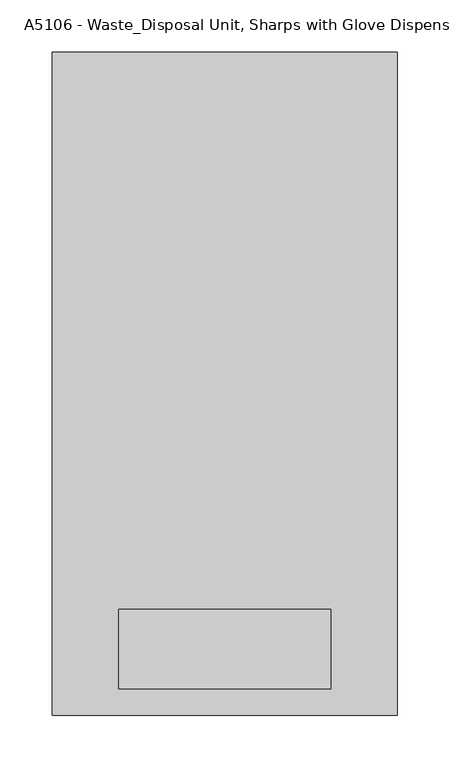
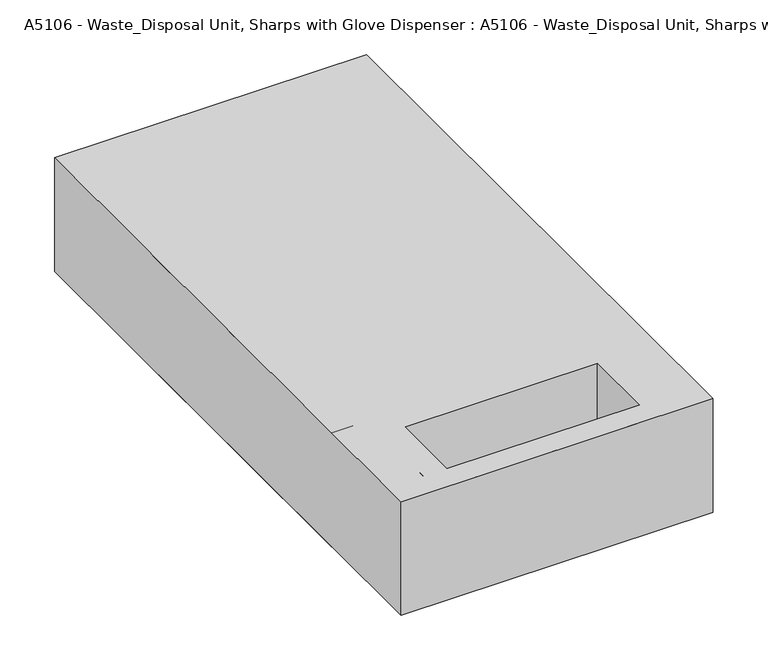
"""IFC4 building model written with IfcOpenShell, lengths in millimetres: proxy geometry, A5106 - Waste_Disposal Unit, Sharps with Glove Dispenser : A5106 - Waste_Disposal Unit, Sharps with Glove Dispenser."""

from ifc_helpers import new_model, si_unit, frame, origin, origin_with_axes, place, context, project, spatial, polyline, circle_curve, outline, extrude, source, transform, mapped, element, save
from ifc_brep_helpers import plane_surface, cylinder_surface, revolved_surface, advanced_brep


def a5106_waste_disposal_unit_sharps_with_glove_dispenser_a5106_9fb1b7a7(model_context):
    return source(origin(), model_context, "Body", "SolidModel", [
        advanced_brep(
        [(101.6, -533.4, 127.0), (101.6, -457.2, 127.0), (101.6, -457.2, 25.4), (-101.6, -457.2, 127.0), (-101.6, -533.4, 127.0), (-101.6, -457.2, 25.4), (165.1, -558.8, 127.0), (165.1, 76.2, 127.0), (-165.1, 76.2, 127.0), (-165.1, -558.8, 127.0), (165.1, -558.8, 0.0), (-165.1, -558.8, 0.0), (-165.1, 76.2, 0.0), (165.1, 76.2, 0.0)],
        [
            (0, 1),
            (1, 2),
            (2, 0, circle_curve(frame((101.6, -428.5291538, 126.2781346), z_axis=(-1.0, 0.0, 0.0), x_axis=(0.0, -1.0, 0.0)), 104.8733306)),
            (3, 4),
            (4, 5, circle_curve(frame((-101.6, -428.5291538, 126.2781346), z_axis=(1.0, 0.0, 0.0), x_axis=(0.0, -1.0, 0.0)), 104.8733306)),
            (5, 3),
            (1, 3),
            (5, 2),
            (4, 0),
            (6, 7),
            (7, 8),
            (8, 9),
            (9, 6),
            (10, 11),
            (11, 12),
            (12, 13),
            (13, 10),
            (9, 11),
            (10, 6),
            (8, 12),
            (7, 13),
        ],
        [
            plane_surface(frame((101.6, -457.2, 127.0), z_axis=(-1.0, 0.0, 0.0), x_axis=(0.0, 0.0, -1.0))),
            plane_surface(frame((-101.6, -457.2, 127.0), z_axis=(1.0, 0.0, 0.0), x_axis=(0.0, 0.0, 1.0))),
            plane_surface(frame((101.6, -457.2, 127.0), z_axis=(0.0, -1.0, 0.0), x_axis=(-1.0, 0.0, 0.0))),
            revolved_surface(polyline([(101.6, -533.4024844, 126.2781346), (-101.6, -533.4024844, 126.2781346)]), (-101.6, -428.5291538, 126.2781346), (1.0, 0.0, 0.0)),
            plane_surface(frame((-165.1, -558.8, 127.0), z_axis=(0.0, 0.0, 1.0), x_axis=(-1.0, 0.0, 0.0))),
            plane_surface(frame((-165.1, -558.8, 0.0), z_axis=(0.0, 0.0, -1.0), x_axis=(1.0, 0.0, 0.0))),
            plane_surface(frame((165.1, -558.8, 127.0), z_axis=(0.0, -1.0, 0.0), x_axis=(0.0, 0.0, -1.0))),
            plane_surface(frame((-165.1, -558.8, 127.0), z_axis=(-1.0, 0.0, 0.0), x_axis=(0.0, 0.0, -1.0))),
            plane_surface(frame((-165.1, 76.2, 127.0), z_axis=(0.0, 1.0, 0.0), x_axis=(0.0, 0.0, -1.0))),
            plane_surface(frame((165.1, 76.2, 127.0), z_axis=(1.0, 0.0, 0.0), x_axis=(0.0, 0.0, -1.0))),
        ],
        [
            (0, [[1, 2, 3]]),
            (1, [[4, 5, 6]]),
            (2, [[7, -6, 8, -2]]),
            (3, [[-8, -5, 9, -3]]),
            (4, [[10, 11, 12, 13], [-9, -4, -7, -1]]),
            (5, [[14, 15, 16, 17]]),
            (6, [[18, -14, 19, -13]]),
            (7, [[20, -15, -18, -12]]),
            (8, [[21, -16, -20, -11]]),
            (9, [[-19, -17, -21, -10]]),
        ],
    ),
        advanced_brep(
        [(127.0, -431.8, 0.0), (127.0, -431.8, 127.0), (127.0, -558.8, 127.0), (-127.0, -431.8, 0.0), (-127.0, -558.8, 127.0), (-127.0, -431.8, 127.0), (101.6, -533.4, 127.0), (-101.6, -533.4, 127.0), (-101.6, -457.2, 127.0), (101.6, -457.2, 127.0), (101.6, -457.2, 25.4), (-101.6, -457.2, 25.4)],
        [
            (0, 1),
            (1, 2),
            (2, 0, circle_curve(frame((127.0, -431.8, 127.0), z_axis=(1.0, 0.0, 0.0), x_axis=(0.0, 0.0, -1.0)), 127.0)),
            (3, 4, circle_curve(frame((-127.0, -431.8, 127.0), z_axis=(-1.0, 0.0, 0.0), x_axis=(0.0, 0.0, -1.0)), 127.0)),
            (4, 5),
            (5, 3),
            (2, 4),
            (3, 0),
            (1, 5),
            (6, 7),
            (7, 8),
            (8, 9),
            (9, 6),
            (9, 10),
            (10, 6, circle_curve(frame((101.6, -428.5291538, 126.2781346), z_axis=(-1.0, 0.0, 0.0), x_axis=(0.0, -1.0, 0.0)), 104.8733306)),
            (7, 11, circle_curve(frame((-101.6, -428.5291538, 126.2781346), z_axis=(1.0, 0.0, 0.0), x_axis=(0.0, -1.0, 0.0)), 104.8733306)),
            (11, 8),
            (11, 10),
        ],
        [
            plane_surface(frame((127.0, -431.8, 0.0), z_axis=(1.0, 0.0, 0.0), x_axis=(0.0, -1.0, 0.0))),
            plane_surface(frame((-127.0, -431.8, 0.0), z_axis=(-1.0, 0.0, 0.0), x_axis=(0.0, 1.0, 0.0))),
            cylinder_surface(frame((-127.0, -431.8, 127.0), z_axis=(1.0, 0.0, 0.0), x_axis=(0.0, 0.0, -1.0)), 127.0),
            plane_surface(frame((127.0, -558.8, 127.0), z_axis=(0.0, 0.0, 1.0), x_axis=(-1.0, 0.0, 0.0))),
            plane_surface(frame((127.0, -431.8, 127.0), z_axis=(0.0, 1.0, 0.0), x_axis=(-1.0, 0.0, 0.0))),
            plane_surface(frame((101.6, -457.2, 127.0), z_axis=(-1.0, 0.0, 0.0), x_axis=(0.0, 0.0, -1.0))),
            plane_surface(frame((-101.6, -457.2, 127.0), z_axis=(1.0, 0.0, 0.0), x_axis=(0.0, 0.0, 1.0))),
            plane_surface(frame((101.6, -457.2, 127.0), z_axis=(0.0, -1.0, 0.0), x_axis=(-1.0, 0.0, 0.0))),
            revolved_surface(polyline([(101.6, -533.4024844, 126.2781346), (-101.6, -533.4024844, 126.2781346)]), (-101.6, -428.5291538, 126.2781346), (1.0, 0.0, 0.0)),
        ],
        [
            (0, [[1, 2, 3]]),
            (1, [[4, 5, 6]]),
            (2, [[7, -4, 8, -3]]),
            (3, [[9, -5, -7, -2], [10, 11, 12, 13]]),
            (4, [[-8, -6, -9, -1]]),
            (5, [[-13, 14, 15]]),
            (6, [[-11, 16, 17]]),
            (7, [[-12, -17, 18, -14]]),
            (8, [[-18, -16, -10, -15]]),
        ],
    ),
        extrude(outline(polyline([(127.0, -76.2), (-127.0, -76.2), (-127.0, 76.2), (127.0, 76.2), (127.0, -76.2)])), origin_with_axes(), (0.0, 0.0, 1.0), 101.6),
        extrude(outline(polyline([(165.1, -431.8), (-165.1, -431.8), (-165.1, -76.2), (165.1, -76.2), (165.1, -431.8)])), origin_with_axes(), (0.0, 0.0, 1.0), 127.0),
    ])


if __name__ == "__main__":
    model = new_model("IFC4")
    model_context = context("Model", 3, world=origin())
    ifc_project = project(units=[si_unit("LENGTHUNIT", "METRE", prefix="MILLI")], contexts=[model_context])
    site = spatial("IfcSite", under=ifc_project)
    building = spatial("IfcBuilding", under=site)
    placement = place(None, origin())
    a5106_waste_disposal_unit_sharps_with_glove_dispenser_a5106_shape = a5106_waste_disposal_unit_sharps_with_glove_dispenser_a5106_9fb1b7a7(model_context)
    element("IfcBuildingElementProxy", 1, Name="A5106 - Waste_Disposal Unit, Sharps with Glove Dispenser : A5106 - Waste_Disposal Unit, Sharps with Glove Dispenser", ObjectType="A5106 - Waste_Disposal Unit, Sharps with Glove Dispenser : A5106 - Waste_Disposal Unit, Sharps with Glove Dispenser", at=placement, inside=building, context=model_context, shape_type="MappedRepresentation", body=[
        mapped(a5106_waste_disposal_unit_sharps_with_glove_dispenser_a5106_shape, transform((0.0, 0.0, 0.0), x_axis=(1.0, 0.0, 0.0), y_axis=(0.0, 1.0, 0.0), z_axis=(0.0, 0.0, 1.0))),
    ])
    save(model, "model.ifc")
